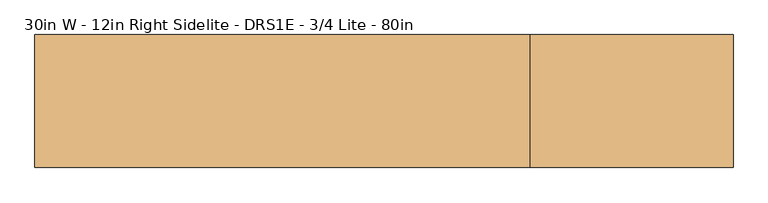
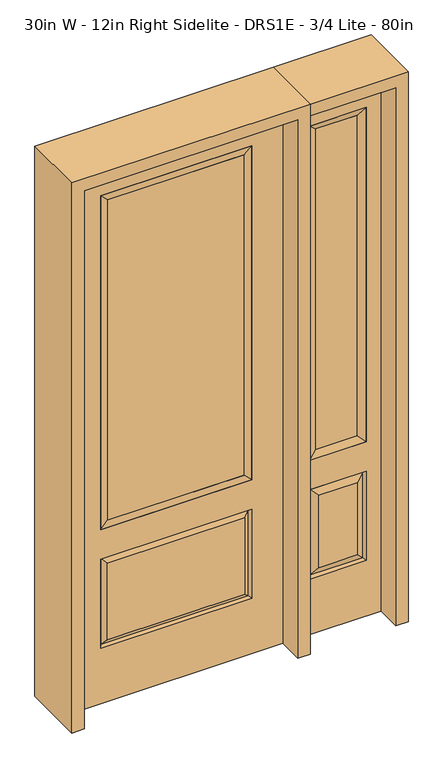
"""IFC4 building model written with IfcOpenShell, lengths in millimetres: door geometry, 30in W - 12in Right Sidelite - DRS1E - 3/4 Lite - 80in."""

from ifc_helpers import new_model, si_unit, frame, origin, place, context, project, spatial, polyline, outline, extrude, faceted_brep, source, transform, mapped, element, save


def door_30in_w_12in_right_sidelite_drs1e_3_4_lite_80in_5507f22b(model_context):
    return source(origin(), model_context, "Body", "SolidModel", [
        faceted_brep([(425.45, -22.225, 0.0), (730.25, -22.225, 0.0), (730.25, -22.225, 2032.0), (425.45, -22.225, 2032.0), (678.18, -22.225, 1919.224), (678.18, -22.225, 657.098), (477.52, -22.225, 657.098), (477.52, -22.225, 1919.224), (678.18, -22.225, 209.55), (477.52, -22.225, 209.55), (477.52, -22.225, 546.1), (678.18, -22.225, 546.1), (509.2351001, -22.225, 241.2651001), (646.4648999, -22.225, 241.2651001), (646.4648999, -22.225, 514.3848999), (509.2351001, -22.225, 514.3848999), (425.45, 22.225, 0.0), (425.45, 22.225, 2032.0), (730.25, 22.225, 2032.0), (730.25, 22.225, 0.0), (678.18, 22.225, 1919.224), (477.52, 22.225, 1919.224), (477.52, 22.225, 657.098), (678.18, 22.225, 657.098), (477.52, 22.225, 209.55), (678.18, 22.225, 209.55), (678.18, 22.225, 546.1), (477.52, 22.225, 546.1), (646.4648999, 22.225, 241.2651001), (509.2351001, 22.225, 241.2651001), (509.2351001, 22.225, 514.3848999), (646.4648999, 22.225, 514.3848999), (671.0711499, 12.7912373, 216.6588501), (484.6288501, 12.7912373, 216.6588501), (484.6288501, 12.7912373, 538.9911499), (671.0711499, 12.7912373, 538.9911499), (484.6288501, -12.7912373, 216.6588501), (671.0711499, -12.7912373, 216.6588501), (484.6288501, -12.7912373, 538.9911499), (671.0711499, -12.7912373, 538.9911499)], [[[0, 1, 2, 3], [4, 5, 6, 7], [8, 9, 10, 11]], [[12, 13, 14, 15]], [[16, 17, 18, 19], [20, 21, 22, 23], [24, 25, 26, 27]], [[28, 29, 30, 31]], [[1, 0, 16, 19]], [[2, 1, 19, 18]], [[3, 2, 18, 17]], [[0, 3, 17, 16]], [[5, 4, 20, 23]], [[6, 5, 23, 22]], [[7, 6, 22, 21]], [[4, 7, 21, 20]], [[32, 33, 29, 28]], [[33, 32, 25, 24]], [[29, 33, 34, 30]], [[33, 24, 27, 34]], [[30, 34, 35, 31]], [[34, 27, 26, 35]], [[32, 28, 31, 35]], [[25, 32, 35, 26]], [[12, 36, 37, 13]], [[37, 36, 9, 8]], [[36, 12, 15, 38]], [[9, 36, 38, 10]], [[38, 15, 14, 39]], [[10, 38, 39, 11]], [[13, 37, 39, 14]], [[37, 8, 11, 39]]]),
        faceted_brep([(477.52, 22.225, 1919.224), (477.52, -22.225, 1919.224), (678.18, -22.225, 1919.224), (678.18, 22.225, 1919.224), (502.92, 12.7, 1893.824), (652.78, 12.7, 1893.824), (502.92, -12.7, 1893.824), (652.78, -12.7, 1893.824), (678.18, -22.225, 657.098), (678.18, 22.225, 657.098), (652.78, 12.7, 682.498), (652.78, -12.7, 682.498), (477.52, -22.225, 657.098), (477.52, 22.225, 657.098), (502.92, 12.7, 682.498), (502.92, -12.7, 682.498)], [[[0, 1, 2, 3]], [[4, 0, 3, 5]], [[6, 4, 5, 7]], [[1, 6, 7, 2]], [[3, 2, 8, 9]], [[5, 3, 9, 10]], [[7, 5, 10, 11]], [[2, 7, 11, 8]], [[9, 8, 12, 13]], [[10, 9, 13, 14]], [[11, 10, 14, 15]], [[8, 11, 15, 12]], [[13, 12, 1, 0]], [[14, 13, 0, 4]], [[15, 14, 4, 6]], [[12, 15, 6, 1]]]),
        extrude(outline(polyline([(652.78, -12.7), (502.92, -12.7), (502.92, 12.7), (652.78, 12.7), (652.78, -12.7)])), frame((0.0, 0.0, 682.498), z_axis=(0.0, 0.0, 1.0), x_axis=(1.0, 0.0, 0.0)), (0.0, 0.0, 1.0), 1211.326),
        faceted_brep([(-262.7661499, -12.7912373, 216.6588501), (262.7661499, -12.7912373, 216.6588501), (245.26875, -22.225, 234.15625), (-245.26875, -22.225, 234.15625), (-269.875, -22.225, 209.55), (269.875, -22.225, 209.55), (-262.7661499, -12.7912373, 538.9911499), (-269.875, -22.225, 546.1), (245.26875, -22.225, 521.49375), (-245.26875, -22.225, 521.49375), (381.0, -22.225, 2032.0), (-381.0, -22.225, 2032.0), (-381.0, -22.225, 0.0), (381.0, -22.225, 0.0), (269.875, -22.225, 546.1), (269.875, -22.225, 1917.7), (269.875, -22.225, 657.098), (-269.875, -22.225, 657.098), (-269.875, -22.225, 1917.7), (262.7661499, -12.7912373, 538.9911499), (-381.0, 22.225, 2032.0), (-381.0, 22.225, 0.0), (381.0, 22.225, 0.0), (381.0, 22.225, 2032.0), (269.875, 22.225, 1917.7), (269.875, 22.225, 657.098), (-269.875, 22.225, 657.098), (-269.875, 22.225, 1917.7), (-269.875, 22.225, 209.55), (269.875, 22.225, 209.55), (269.875, 22.225, 546.1), (-269.875, 22.225, 546.1), (245.26875, 22.225, 234.15625), (-245.26875, 22.225, 234.15625), (-245.26875, 22.225, 521.49375), (245.26875, 22.225, 521.49375), (-262.7661499, 12.7912373, 216.6588501), (262.7661499, 12.7912373, 216.6588501), (262.7661499, 12.7912373, 538.9911499), (-262.7661499, 12.7912373, 538.9911499)], [[[0, 1, 2, 3]], [[1, 0, 4, 5]], [[4, 0, 6, 7]], [[3, 2, 8, 9]], [[10, 11, 12, 13], [5, 4, 7, 14], [15, 16, 17, 18]], [[1, 5, 14, 19]], [[2, 1, 19, 8]], [[0, 3, 9, 6]], [[7, 6, 19, 14]], [[6, 9, 8, 19]], [[12, 11, 20, 21]], [[13, 12, 21, 22]], [[10, 13, 22, 23]], [[16, 15, 24, 25]], [[17, 16, 25, 26]], [[18, 17, 26, 27]], [[23, 22, 21, 20], [28, 29, 30, 31], [24, 27, 26, 25]], [[32, 33, 34, 35]], [[28, 36, 37, 29]], [[29, 37, 38, 30]], [[39, 31, 30, 38]], [[36, 28, 31, 39]], [[37, 36, 33, 32]], [[33, 36, 39, 34]], [[34, 39, 38, 35]], [[37, 32, 35, 38]], [[11, 10, 23, 20]], [[15, 18, 27, 24]]]),
        faceted_brep([(-269.875, -22.225, 1917.7), (-269.875, 22.225, 1917.7), (-269.875, 22.225, 657.098), (-269.875, -22.225, 657.098), (269.875, 22.225, 657.098), (269.875, -22.225, 657.098), (-244.475, 5.08, 682.498), (244.475, 5.08, 682.498), (269.875, 22.225, 1917.7), (269.875, -22.225, 1917.7), (-244.475, -20.32, 682.498), (244.475, -20.32, 682.498), (-244.475, -20.32, 1892.3), (244.475, -20.32, 1892.3), (-244.475, 5.08, 1892.3), (244.475, 5.08, 1892.3)], [[[0, 1, 2, 3]], [[3, 2, 4, 5]], [[2, 6, 7, 4]], [[5, 4, 8, 9]], [[10, 3, 5, 11]], [[12, 0, 3, 10]], [[11, 5, 9, 13]], [[6, 10, 11, 7]], [[14, 12, 10, 6]], [[7, 11, 13, 15]], [[1, 14, 6, 2]], [[4, 7, 15, 8]], [[9, 8, 1, 0]], [[13, 9, 0, 12]], [[15, 13, 12, 14]], [[8, 15, 14, 1]]]),
        extrude(outline(polyline([(244.475, -20.32), (-244.475, -20.32), (-244.475, 5.08), (244.475, 5.08), (244.475, -20.32)])), frame((0.0, 0.0, 682.498), z_axis=(0.0, 0.0, 1.0), x_axis=(1.0, 0.0, 0.0)), (0.0, 0.0, 1.0), 1209.802),
        extrude(outline(polyline([(2076.45, -425.45), (0.0, -425.45), (0.0, -381.0), (2032.0, -381.0), (2032.0, 381.0), (0.0, 381.0), (0.0, 425.45), (2076.45, 425.45), (2076.45, -425.45)])), frame((0.0, -114.3, 0.0), z_axis=(0.0, 1.0, 0.0), x_axis=(0.0, 0.0, 1.0)), (0.0, 0.0, 1.0), 228.6),
        extrude(outline(polyline([(0.0, 730.25), (0.0, 774.7), (2076.45, 774.7), (2076.45, 425.45), (2032.0, 425.45), (2032.0, 730.25), (0.0, 730.25)])), frame((0.0, -114.3, 0.0), z_axis=(0.0, 1.0, 0.0), x_axis=(0.0, 0.0, 1.0)), (0.0, 0.0, 1.0), 228.6),
    ])


if __name__ == "__main__":
    model = new_model("IFC4")
    model_context = context("Model", 3, world=origin())
    ifc_project = project(units=[si_unit("LENGTHUNIT", "METRE", prefix="MILLI")], contexts=[model_context])
    site = spatial("IfcSite", under=ifc_project)
    building = spatial("IfcBuilding", under=site)
    placement = place(None, origin())
    door_30in_w_12in_right_sidelite_drs1e_3_4_lite_80in_shape = door_30in_w_12in_right_sidelite_drs1e_3_4_lite_80in_5507f22b(model_context)
    element("IfcDoor", 1, ObjectType="30in W - 12in Right Sidelite - DRS1E - 3/4 Lite - 80in", at=placement, inside=building, context=model_context, shape_type="MappedRepresentation", body=[
        mapped(door_30in_w_12in_right_sidelite_drs1e_3_4_lite_80in_shape, transform((0.0, 0.0, 0.0), x_axis=(1.0, 0.0, 0.0), y_axis=(0.0, 1.0, 0.0), z_axis=(0.0, 0.0, 1.0))),
    ])
    save(model, "model.ifc")
